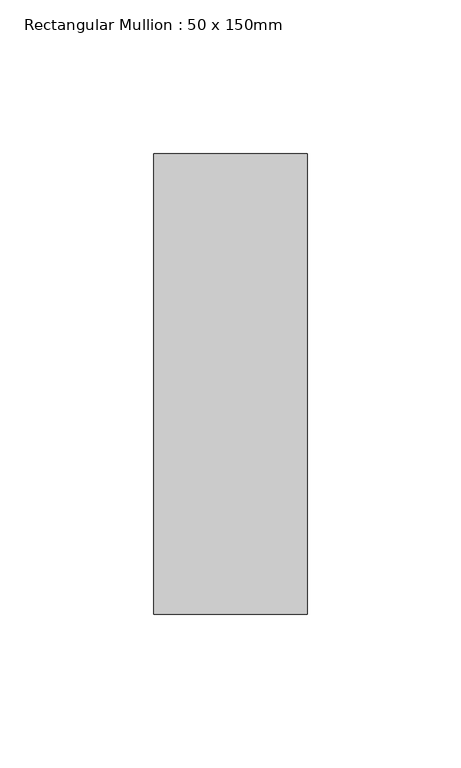
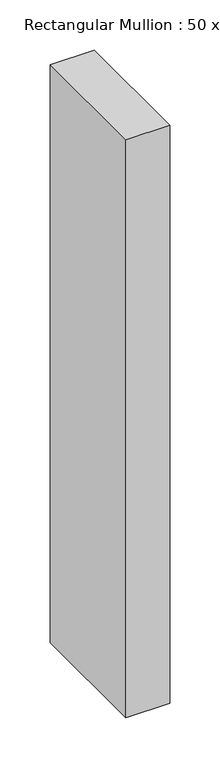
"""IFC4 building model written with IfcOpenShell, lengths in millimetres: member geometry, Rectangular Mullion : 50 x 150mm."""

from ifc_helpers import new_model, si_unit, frame, origin, place, context, project, spatial, polyline, outline, extrude, source, transform, mapped, element, save


def rectangular_mullion_50_x_150mm_84253eda(model_context):
    return source(origin(), model_context, "Body", "SweptSolid", [
        extrude(outline(polyline([(25.0, 75.0), (25.0, -75.0), (-25.0, -75.0), (-25.0, 75.0), (25.0, 75.0)])), frame((0.0, 0.0, -700.0), z_axis=(0.0, 0.0, 1.0), x_axis=(1.0, 0.0, 0.0)), (0.0, 0.0, 1.0), 700.0),
    ])


if __name__ == "__main__":
    model = new_model("IFC4")
    model_context = context("Model", 3, world=origin())
    ifc_project = project(units=[si_unit("LENGTHUNIT", "METRE", prefix="MILLI")], contexts=[model_context])
    site = spatial("IfcSite", under=ifc_project)
    building = spatial("IfcBuilding", under=site)
    placement = place(None, origin())
    rectangular_mullion_50_x_150mm_shape = rectangular_mullion_50_x_150mm_84253eda(model_context)
    element("IfcMember", 1, ObjectType="Rectangular Mullion : 50 x 150mm", at=placement, inside=building, context=model_context, shape_type="MappedRepresentation", body=[
        mapped(rectangular_mullion_50_x_150mm_shape, transform((0.0, 0.0, 0.0), x_axis=(1.0, 0.0, 0.0), y_axis=(0.0, 1.0, 0.0), z_axis=(0.0, 0.0, 1.0))),
    ])
    save(model, "model.ifc")
